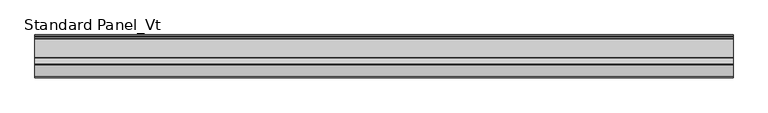
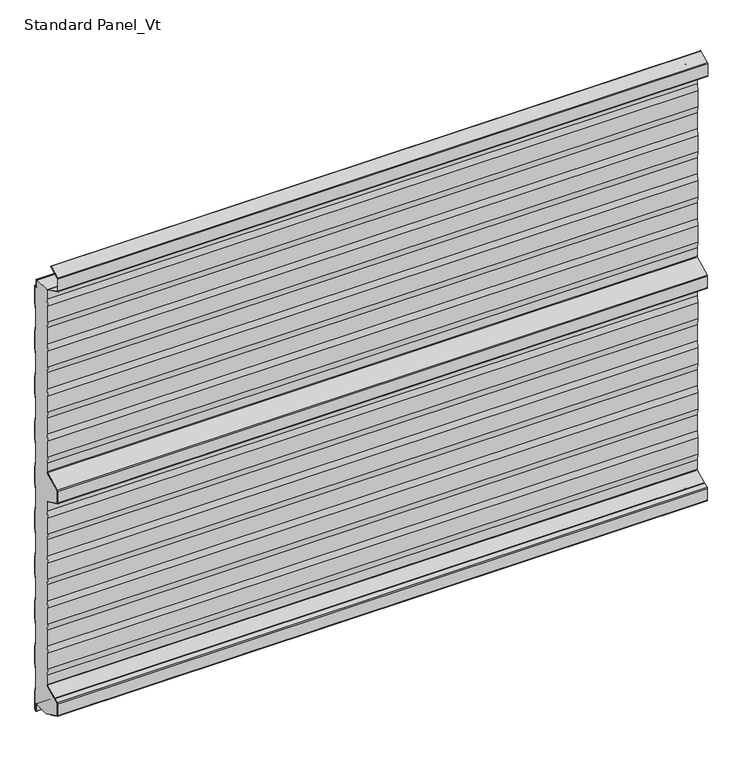
"""IFC4 building model written with IfcOpenShell, lengths in millimetres: proxy geometry, Standard Panel_Vt."""

from ifc_helpers import new_model, si_unit, point, frame, frame_2d, origin, place, context, project, spatial, polyline, circle_curve, trimmed, segment, composite_curve, outline, extrude, source, transform, mapped, element, save
from ifc_brep_helpers import plane_surface, cylinder_surface, revolved_surface, advanced_brep


def standard_panel_vt_74af1ed8(model_context):
    return source(origin(), model_context, "Body", "SolidModel", [
        advanced_brep(
        [(-723.9042608, -47.5, 35.1338169), (-723.9042608, -47.5, 57.6094989), (-723.9042608, -50.0, 72.448892), (-723.9042608, -50.0, 110.5241033), (-723.9042608, -47.5, 125.3634964), (-723.9042608, -47.5, 163.6094989), (-723.9042608, -50.0, 178.448892), (-723.9042608, -50.0, 216.5241033), (-723.9042608, -47.5, 231.3634964), (-723.9042608, -47.5, 269.6094989), (-723.9042608, -50.0, 284.448892), (-723.9042608, -50.0, 322.5241033), (-723.9042608, -47.5, 337.3634964), (-723.9042608, -47.5, 375.6094989), (-723.9042608, -50.0, 390.448892), (-723.9042608, -50.0, 428.5241033), (-723.9042608, -47.5, 443.3634964), (-723.9042608, -47.5, 463.5777279), (-723.9042608, -49.215023, 466.3511443), (-723.9042608, -86.7201502, 485.0802964), (-723.9042608, -87.55, 486.4222721), (-723.9042608, -87.55, 513.5777279), (-723.9042608, -86.7201502, 514.9197036), (-723.9042608, -49.215023, 533.6488557), (-723.9042608, -47.5, 536.4222721), (-723.9042608, -47.5, 556.6365036), (-723.9042608, -50.0, 571.4758967), (-723.9042608, -50.0, 609.551108), (-723.9042608, -47.5, 624.3905011), (-723.9042608, -47.5, 662.6365036), (-723.9042608, -50.0, 677.4758967), (-723.9042608, -50.0, 715.551108), (-723.9042608, -47.5, 730.3905011), (-723.9042608, -47.5, 768.6365036), (-723.9042608, -50.0, 783.4758967), (-723.9042608, -50.0, 821.551108), (-723.9042608, -47.5, 836.3905011), (-723.9042608, -47.5, 874.6365036), (-723.9042608, -50.0, 889.4758967), (-723.9042608, -50.0, 927.551108), (-723.9042608, -47.5, 942.3905011), (-723.9042608, -47.5, 962.6040392), (-723.9042608, -47.9622719, 964.2326554), (-723.9042608, -10.2001722, 964.2), (-723.9042608, -10.2001722, 963.3616429), (-723.9042608, -8.2001714, 963.3616429), (-723.9042608, -6.9001721, 962.0616436), (-723.9042608, -6.9001721, 946.4755735), (-723.9042608, -4.1204106, 944.9655843), (-723.9042608, -1.6, 946.6009611), (-723.9042608, -1.6, 905.4928529), (-723.9042608, -4.1, 890.4928529), (-723.9042608, -4.1, 852.3604329), (-723.9042608, -1.6, 837.3604329), (-723.9042608, -1.6, 799.4928529), (-723.9042608, -4.1, 784.4928529), (-723.9042608, -4.1, 746.3604329), (-723.9042608, -1.6, 731.3604329), (-723.9042608, -1.6, 693.4928529), (-723.9042608, -4.1, 678.4928529), (-723.9042608, -4.1, 640.3604329), (-723.9042608, -1.6, 625.3604329), (-723.9042608, -1.6, 587.4928529), (-723.9042608, -4.1, 572.4928529), (-723.9042608, -4.1, 534.3604329), (-723.9042608, -1.6, 519.3604329), (-723.9042608, -1.6, 481.9928529), (-723.9042608, -4.1, 466.9928529), (-723.9042608, -4.1, 428.8604329), (-723.9042608, -1.6, 413.8604329), (-723.9042608, -1.6, 375.4928529), (-723.9042608, -4.1, 360.4928529), (-723.9042608, -4.1, 322.3604329), (-723.9042608, -1.6, 307.3604329), (-723.9042608, -1.6, 269.4928529), (-723.9042608, -4.1, 254.4928529), (-723.9042608, -4.1, 216.3604329), (-723.9042608, -1.6, 201.3604329), (-723.9042608, -1.6, 163.4928529), (-723.9042608, -4.1, 148.4928529), (-723.9042608, -4.1, 110.3604329), (-723.9042608, -1.6, 95.3604329), (-723.9042608, -1.6, 57.4928529), (-723.9042608, -4.1, 42.4928529), (-723.9042608, -4.1, 4.3604329), (-723.9042608, -1.6, -10.6395671), (-723.9042608, -1.6, -51.4917405), (-723.9042608, -4.8001723, -53.568183), (-723.9042608, -4.8001723, -37.2383568), (-723.9042608, -7.0001721, -35.0383571), (-723.9042608, -8.930172, -35.0383571), (-723.9042608, -8.930172, -35.8383571), (-723.9042608, -45.05, -35.8), (-723.9042608, -86.7201502, -14.9197036), (-723.9042608, -87.55, -13.5777279), (-723.9042608, -87.55, 13.5777279), (-723.9042608, -86.7201502, 14.9197036), (-723.9042608, -78.2301555, 19.1594013), (-723.9042608, -76.5702853, 19.3495888), (-723.9042608, -75.8045421, 19.576942), (-723.9042608, -48.7724364, 33.0761209), (723.9042608, -47.5, 35.1338169), (723.9042608, -48.7724364, 33.0761209), (723.9042608, -75.8045421, 19.576942), (723.9042608, -76.5702853, 19.3495888), (723.9042608, -78.2301555, 19.1594013), (723.9042608, -86.7201502, 14.9197036), (723.9042608, -87.55, 13.5777279), (723.9042608, -87.55, -13.5777279), (723.9042608, -86.7201502, -14.9197036), (723.9042608, -45.05, -35.7287673), (723.9042608, -8.930172, -35.8383571), (723.9042608, -8.930172, -35.0383571), (723.9042608, -7.0001721, -35.0383571), (723.9042608, -4.8001723, -37.2383568), (723.9042608, -4.8001723, -53.568183), (723.9042608, -1.6, -51.4917405), (723.9042608, -1.6, -10.6395671), (723.9042608, -4.1, 4.3604329), (723.9042608, -4.1, 42.4928529), (723.9042608, -1.6, 57.4928529), (723.9042608, -1.6, 95.3604329), (723.9042608, -4.1, 110.3604329), (723.9042608, -4.1, 148.4928529), (723.9042608, -1.6, 163.4928529), (723.9042608, -1.6, 201.3604329), (723.9042608, -4.1, 216.3604329), (723.9042608, -4.1, 254.4928529), (723.9042608, -1.6, 269.4928529), (723.9042608, -1.6, 307.3604329), (723.9042608, -4.1, 322.3604329), (723.9042608, -4.1, 360.4928529), (723.9042608, -1.6, 375.4928529), (723.9042608, -1.6, 413.8604329), (723.9042608, -4.1, 428.8604329), (723.9042608, -4.1, 466.9928529), (723.9042608, -1.6, 481.9928529), (723.9042608, -1.6, 519.3604329), (723.9042608, -4.1, 534.3604329), (723.9042608, -4.1, 572.4928529), (723.9042608, -1.6, 587.4928529), (723.9042608, -1.6, 625.3604329), (723.9042608, -4.1, 640.3604329), (723.9042608, -4.1, 678.4928529), (723.9042608, -1.6, 693.4928529), (723.9042608, -1.6, 731.3604329), (723.9042608, -4.1, 746.3604329), (723.9042608, -4.1, 784.4928529), (723.9042608, -1.6, 799.4928529), (723.9042608, -1.6, 837.3604329), (723.9042608, -4.1, 852.3604329), (723.9042608, -4.1, 890.4928529), (723.9042608, -1.6, 905.4928529), (723.9042608, -1.6, 946.6009611), (723.9042608, -4.1204106, 944.9655843), (723.9042608, -6.9001721, 946.4755735), (723.9042608, -6.9001721, 962.0616436), (723.9042608, -8.2001714, 963.3616429), (723.9042608, -10.2001722, 963.3616429), (723.9042608, -10.2001722, 964.2), (723.9042608, -47.9622719, 964.2326554), (723.9042608, -47.5, 962.6040392), (723.9042608, -47.5, 942.3905011), (723.9042608, -50.0, 927.551108), (723.9042608, -50.0, 889.4758967), (723.9042608, -47.5, 874.6365036), (723.9042608, -47.5, 836.3905011), (723.9042608, -50.0, 821.551108), (723.9042608, -50.0, 783.4758967), (723.9042608, -47.5, 768.6365036), (723.9042608, -47.5, 730.3905011), (723.9042608, -50.0, 715.551108), (723.9042608, -50.0, 677.4758967), (723.9042608, -47.5, 662.6365036), (723.9042608, -47.5, 624.3905011), (723.9042608, -50.0, 609.551108), (723.9042608, -50.0, 571.4758967), (723.9042608, -47.5, 556.6365036), (723.9042608, -47.5, 536.4222721), (723.9042608, -49.215023, 533.6488557), (723.9042608, -86.7201502, 514.9197036), (723.9042608, -87.55, 513.5777279), (723.9042608, -87.55, 486.4222721), (723.9042608, -86.7201502, 485.0802964), (723.9042608, -49.215023, 466.3511443), (723.9042608, -47.5, 463.5777279), (723.9042608, -47.5, 443.3634964), (723.9042608, -50.0, 428.5241033), (723.9042608, -50.0, 390.448892), (723.9042608, -47.5, 375.6094989), (723.9042608, -47.5, 337.3634964), (723.9042608, -50.0, 322.5241033), (723.9042608, -50.0, 284.448892), (723.9042608, -47.5, 269.6094989), (723.9042608, -47.5, 231.3634964), (723.9042608, -50.0, 216.5241033), (723.9042608, -50.0, 178.448892), (723.9042608, -47.5, 163.6094989), (723.9042608, -47.5, 125.3634964), (723.9042608, -50.0, 110.5241033), (723.9042608, -50.0, 72.448892), (723.9042608, -47.5, 57.6094989)],
        [
            (0, 1),
            (1, 2),
            (2, 3),
            (3, 4),
            (4, 5),
            (5, 6),
            (6, 7),
            (7, 8),
            (8, 9),
            (9, 10),
            (10, 11),
            (11, 12),
            (12, 13),
            (13, 14),
            (14, 15),
            (15, 16),
            (16, 17),
            (17, 18, circle_curve(frame((-723.9042608, -50.6, 463.5777279), z_axis=(1.0, 0.0, 0.0), x_axis=(0.0, 0.0, -1.0)), 3.1)),
            (18, 19),
            (19, 20, circle_curve(frame((-723.9042608, -86.05, 486.4222721), z_axis=(-1.0, 0.0, 0.0), x_axis=(0.0, 0.0, -1.0)), 1.5)),
            (20, 21),
            (21, 22, circle_curve(frame((-723.9042608, -86.05, 513.5777279), z_axis=(-1.0, 0.0, 0.0), x_axis=(0.0, 0.0, -1.0)), 1.5)),
            (22, 23),
            (23, 24, circle_curve(frame((-723.9042608, -50.6, 536.4222721), z_axis=(1.0, 0.0, 0.0), x_axis=(0.0, 0.0, -1.0)), 3.1)),
            (24, 25),
            (25, 26),
            (26, 27),
            (27, 28),
            (28, 29),
            (29, 30),
            (30, 31),
            (31, 32),
            (32, 33),
            (33, 34),
            (34, 35),
            (35, 36),
            (36, 37),
            (37, 38),
            (38, 39),
            (39, 40),
            (40, 41),
            (41, 42, circle_curve(frame((-723.9042608, -50.6, 962.6040392), z_axis=(1.0, 0.0, 0.0), x_axis=(0.0, 0.0, -1.0)), 3.1)),
            (42, 43),
            (43, 44),
            (44, 45),
            (45, 46, circle_curve(frame((-723.9042608, -8.2001714, 962.0616436), z_axis=(-1.0, 0.0, 0.0), x_axis=(0.0, 0.0, -1.0)), 1.2999993)),
            (46, 47),
            (47, 48, circle_curve(frame((-723.9042608, -5.1001721, 946.4755735), z_axis=(1.0, 0.0, 0.0), x_axis=(0.0, 0.0, -1.0)), 1.8)),
            (48, 49),
            (49, 50),
            (50, 51),
            (51, 52),
            (52, 53),
            (53, 54),
            (54, 55),
            (55, 56),
            (56, 57),
            (57, 58),
            (58, 59),
            (59, 60),
            (60, 61),
            (61, 62),
            (62, 63),
            (63, 64),
            (64, 65),
            (65, 66),
            (66, 67),
            (67, 68),
            (68, 69),
            (69, 70),
            (70, 71),
            (71, 72),
            (72, 73),
            (73, 74),
            (74, 75),
            (75, 76),
            (76, 77),
            (77, 78),
            (78, 79),
            (79, 80),
            (80, 81),
            (81, 82),
            (82, 83),
            (83, 84),
            (84, 85),
            (85, 86),
            (86, 87),
            (87, 88),
            (88, 89, circle_curve(frame((-723.9042608, -7.0001721, -37.2383568), z_axis=(1.0, 0.0, 0.0), x_axis=(0.0, 0.0, -1.0)), 2.1999997)),
            (89, 90),
            (90, 91),
            (91, 92),
            (92, 93),
            (93, 94, circle_curve(frame((-723.9042608, -86.05, -13.5777279), z_axis=(-1.0, 0.0, 0.0), x_axis=(0.0, 0.0, -1.0)), 1.5)),
            (94, 95),
            (95, 96, circle_curve(frame((-723.9042608, -86.05, 13.5777279), z_axis=(-1.0, 0.0, 0.0), x_axis=(0.0, 0.0, -1.0)), 1.5)),
            (96, 97),
            (97, 98),
            (98, 99, circle_curve(frame((-723.9042608, -76.8321057, 21.6346381), z_axis=(1.0, 0.0, 0.0), x_axis=(0.0, 0.0, -1.0)), 2.3)),
            (99, 100),
            (100, 0, circle_curve(frame((-723.9042608, -49.8, 35.1338169), z_axis=(1.0, 0.0, 0.0), x_axis=(0.0, 0.0, -1.0)), 2.3)),
            (101, 102, circle_curve(frame((723.9042608, -49.8, 35.1338169), z_axis=(-1.0, 0.0, 0.0), x_axis=(0.0, 0.0, -1.0)), 2.3)),
            (102, 103),
            (103, 104, circle_curve(frame((723.9042608, -76.8321057, 21.6346381), z_axis=(-1.0, 0.0, 0.0), x_axis=(0.0, 0.0, -1.0)), 2.3)),
            (104, 105),
            (105, 106),
            (106, 107, circle_curve(frame((723.9042608, -86.05, 13.5777279), z_axis=(1.0, 0.0, 0.0), x_axis=(0.0, 0.0, -1.0)), 1.5)),
            (107, 108),
            (108, 109, circle_curve(frame((723.9042608, -86.05, -13.5777279), z_axis=(1.0, 0.0, 0.0), x_axis=(0.0, 0.0, -1.0)), 1.5)),
            (109, 110),
            (110, 111),
            (111, 112),
            (112, 113),
            (113, 114, circle_curve(frame((723.9042608, -7.0001721, -37.2383568), z_axis=(-1.0, 0.0, 0.0), x_axis=(0.0, 0.0, -1.0)), 2.1999997)),
            (114, 115),
            (115, 116),
            (116, 117),
            (117, 118),
            (118, 119),
            (119, 120),
            (120, 121),
            (121, 122),
            (122, 123),
            (123, 124),
            (124, 125),
            (125, 126),
            (126, 127),
            (127, 128),
            (128, 129),
            (129, 130),
            (130, 131),
            (131, 132),
            (132, 133),
            (133, 134),
            (134, 135),
            (135, 136),
            (136, 137),
            (137, 138),
            (138, 139),
            (139, 140),
            (140, 141),
            (141, 142),
            (142, 143),
            (143, 144),
            (144, 145),
            (145, 146),
            (146, 147),
            (147, 148),
            (148, 149),
            (149, 150),
            (150, 151),
            (151, 152),
            (152, 153),
            (153, 154),
            (154, 155, circle_curve(frame((723.9042608, -5.1001721, 946.4755735), z_axis=(-1.0, 0.0, 0.0), x_axis=(0.0, 0.0, -1.0)), 1.8)),
            (155, 156),
            (156, 157, circle_curve(frame((723.9042608, -8.2001714, 962.0616436), z_axis=(1.0, 0.0, 0.0), x_axis=(0.0, 0.0, -1.0)), 1.2999993)),
            (157, 158),
            (158, 159),
            (159, 160),
            (160, 161, circle_curve(frame((723.9042608, -50.6, 962.6040392), z_axis=(-1.0, 0.0, 0.0), x_axis=(0.0, 0.0, -1.0)), 3.1)),
            (161, 162),
            (162, 163),
            (163, 164),
            (164, 165),
            (165, 166),
            (166, 167),
            (167, 168),
            (168, 169),
            (169, 170),
            (170, 171),
            (171, 172),
            (172, 173),
            (173, 174),
            (174, 175),
            (175, 176),
            (176, 177),
            (177, 178),
            (178, 179, circle_curve(frame((723.9042608, -50.6, 536.4222721), z_axis=(-1.0, 0.0, 0.0), x_axis=(0.0, 0.0, -1.0)), 3.1)),
            (179, 180),
            (180, 181, circle_curve(frame((723.9042608, -86.05, 513.5777279), z_axis=(1.0, 0.0, 0.0), x_axis=(0.0, 0.0, -1.0)), 1.5)),
            (181, 182),
            (182, 183, circle_curve(frame((723.9042608, -86.05, 486.4222721), z_axis=(1.0, 0.0, 0.0), x_axis=(0.0, 0.0, -1.0)), 1.5)),
            (183, 184),
            (184, 185, circle_curve(frame((723.9042608, -50.6, 463.5777279), z_axis=(-1.0, 0.0, 0.0), x_axis=(0.0, 0.0, -1.0)), 3.1)),
            (185, 186),
            (186, 187),
            (187, 188),
            (188, 189),
            (189, 190),
            (190, 191),
            (191, 192),
            (192, 193),
            (193, 194),
            (194, 195),
            (195, 196),
            (196, 197),
            (197, 198),
            (198, 199),
            (199, 200),
            (200, 201),
            (201, 101),
            (100, 102),
            (101, 0),
            (99, 103),
            (98, 104),
            (97, 105),
            (96, 106),
            (95, 107),
            (94, 108),
            (93, 109),
            (92, 110),
            (159, 43),
            (42, 160),
            (41, 161),
            (40, 162),
            (39, 163),
            (38, 164),
            (37, 165),
            (36, 166),
            (35, 167),
            (34, 168),
            (33, 169),
            (32, 170),
            (31, 171),
            (30, 172),
            (29, 173),
            (28, 174),
            (27, 175),
            (26, 176),
            (25, 177),
            (24, 178),
            (23, 179),
            (22, 180),
            (21, 181),
            (20, 182),
            (19, 183),
            (18, 184),
            (17, 185),
            (16, 186),
            (15, 187),
            (14, 188),
            (13, 189),
            (12, 190),
            (11, 191),
            (10, 192),
            (9, 193),
            (8, 194),
            (7, 195),
            (6, 196),
            (5, 197),
            (4, 198),
            (3, 199),
            (2, 200),
            (1, 201),
            (158, 44),
            (88, 114),
            (113, 89),
            (87, 115),
            (86, 116),
            (85, 117),
            (84, 118),
            (83, 119),
            (82, 120),
            (81, 121),
            (80, 122),
            (79, 123),
            (78, 124),
            (77, 125),
            (76, 126),
            (75, 127),
            (74, 128),
            (73, 129),
            (72, 130),
            (71, 131),
            (70, 132),
            (69, 133),
            (68, 134),
            (67, 135),
            (66, 136),
            (65, 137),
            (64, 138),
            (63, 139),
            (62, 140),
            (61, 141),
            (60, 142),
            (59, 143),
            (58, 144),
            (57, 145),
            (56, 146),
            (55, 147),
            (54, 148),
            (53, 149),
            (52, 150),
            (51, 151),
            (50, 152),
            (49, 153),
            (48, 154),
            (47, 155),
            (46, 156),
            (45, 157),
            (90, 112),
            (111, 91),
        ],
        [
            plane_surface(frame((-723.9042608, -50.0, 500.0), z_axis=(-1.0, 0.0, 0.0), x_axis=(0.0, 1.0, 0.0))),
            plane_surface(frame((723.9042608, -50.0, 500.0), z_axis=(1.0, 0.0, 0.0), x_axis=(0.0, 1.0, 0.0))),
            revolved_surface(polyline([(723.9042608, -49.8, 32.8338169), (-723.9042608, -49.8, 32.8338169)]), (-723.9042608, -49.8, 35.1338169), (1.0, 0.0, 0.0)),
            plane_surface(frame((-723.9042608, -48.7724364, 33.0761209), z_axis=(0.0, -0.4467667729379058, 0.89465046280581), x_axis=(1.0, 0.0, 0.0))),
            revolved_surface(polyline([(723.9042608, -76.8321057, 19.3346381), (-723.9042608, -76.8321057, 19.3346381)]), (-723.9042608, -76.8321057, 21.6346381), (1.0, 0.0, 0.0)),
            plane_surface(frame((-723.9042608, -76.5702853, 19.3495888), z_axis=(0.0, -0.11383496024224143, 0.9934996737929246), x_axis=(1.0, 0.0, 0.0))),
            plane_surface(frame((-723.9042608, -78.2301555, 19.1594013), z_axis=(0.0, -0.44676677293837763, 0.8946504628055743), x_axis=(1.0, 0.0, 0.0))),
            cylinder_surface(frame((-723.9042608, -86.05, 13.5777279), z_axis=(-1.0, 0.0, 0.0), x_axis=(0.0, 0.0, -1.0)), 1.5),
            plane_surface(frame((-723.9042608, -87.55, 13.5777279), z_axis=(0.0, -1.0, 0.0), x_axis=(1.0, 0.0, 0.0))),
            cylinder_surface(frame((-723.9042608, -86.05, -13.5777279), z_axis=(-1.0, 0.0, 0.0), x_axis=(0.0, 0.0, -1.0)), 1.5),
            plane_surface(frame((-723.9042608, -86.7201502, -14.9197036), z_axis=(0.0, -0.4467667729366023, -0.8946504628064608), x_axis=(1.0, 0.0, 0.0))),
            plane_surface(frame((-723.9042608, -45.05, 964.2326554), z_axis=(0.0, 0.0, 1.0), x_axis=(1.0, 0.0, 0.0))),
            revolved_surface(polyline([(723.9042608, -50.6, 959.5040392), (-723.9042608, -50.6, 959.5040392)]), (-723.9042608, -50.6, 962.6040392), (1.0, 0.0, 0.0)),
            plane_surface(frame((-723.9042608, -47.5, 962.6040392), z_axis=(0.0, -1.0, 0.0), x_axis=(1.0, 0.0, 0.0))),
            plane_surface(frame((-723.9042608, -47.5, 942.3905011), z_axis=(0.0, -0.9861039564577478, 0.16612942863435207), x_axis=(1.0, 0.0, 0.0))),
            plane_surface(frame((-723.9042608, -50.0, 927.551108), z_axis=(0.0, -1.0, 0.0), x_axis=(1.0, 0.0, 0.0))),
            plane_surface(frame((-723.9042608, -50.0, 889.4758967), z_axis=(0.0, -0.986103956457715, -0.16612942863454708), x_axis=(1.0, 0.0, 0.0))),
            plane_surface(frame((-723.9042608, -47.5, 874.6365036), z_axis=(0.0, -1.0, 0.0), x_axis=(1.0, 0.0, 0.0))),
            plane_surface(frame((-723.9042608, -47.5, 836.3905011), z_axis=(0.0, -0.9861039564577201, 0.1661294286345171), x_axis=(1.0, 0.0, 0.0))),
            plane_surface(frame((-723.9042608, -50.0, 821.551108), z_axis=(0.0, -1.0, 0.0), x_axis=(1.0, 0.0, 0.0))),
            plane_surface(frame((-723.9042608, -50.0, 783.4758967), z_axis=(0.0, -0.986103956457715, -0.16612942863454708), x_axis=(1.0, 0.0, 0.0))),
            plane_surface(frame((-723.9042608, -47.5, 768.6365036), z_axis=(0.0, -1.0, 0.0), x_axis=(1.0, 0.0, 0.0))),
            plane_surface(frame((-723.9042608, -47.5, 730.3905011), z_axis=(0.0, -0.9861039564577478, 0.16612942863435207), x_axis=(1.0, 0.0, 0.0))),
            plane_surface(frame((-723.9042608, -50.0, 715.551108), z_axis=(0.0, -1.0, 0.0), x_axis=(1.0, 0.0, 0.0))),
            plane_surface(frame((-723.9042608, -50.0, 677.4758967), z_axis=(0.0, -0.9861039564576832, -0.16612942863473568), x_axis=(1.0, 0.0, 0.0))),
            plane_surface(frame((-723.9042608, -47.5, 662.6365036), z_axis=(0.0, -1.0, 0.0), x_axis=(1.0, 0.0, 0.0))),
            plane_surface(frame((-723.9042608, -47.5, 624.3905011), z_axis=(0.0, -0.9861039564577201, 0.1661294286345171), x_axis=(1.0, 0.0, 0.0))),
            plane_surface(frame((-723.9042608, -50.0, 609.551108), z_axis=(0.0, -1.0, 0.0), x_axis=(1.0, 0.0, 0.0))),
            plane_surface(frame((-723.9042608, -50.0, 571.4758967), z_axis=(0.0, -0.9861039564577467, -0.16612942863435845), x_axis=(1.0, 0.0, 0.0))),
            plane_surface(frame((-723.9042608, -47.5, 556.6365036), z_axis=(0.0, -1.0, 0.0), x_axis=(1.0, 0.0, 0.0))),
            revolved_surface(polyline([(723.9042608, -50.6, 533.3222721), (-723.9042608, -50.6, 533.3222721)]), (-723.9042608, -50.6, 536.4222721), (1.0, 0.0, 0.0)),
            plane_surface(frame((-723.9042608, -49.215023, 533.6488557), z_axis=(0.0, -0.4467667729373698, 0.8946504628060775), x_axis=(1.0, 0.0, 0.0))),
            cylinder_surface(frame((-723.9042608, -86.05, 513.5777279), z_axis=(-1.0, 0.0, 0.0), x_axis=(0.0, 0.0, -1.0)), 1.5),
            plane_surface(frame((-723.9042608, -87.55, 513.5777279), z_axis=(0.0, -1.0, 0.0), x_axis=(1.0, 0.0, 0.0))),
            cylinder_surface(frame((-723.9042608, -86.05, 486.4222721), z_axis=(-1.0, 0.0, 0.0), x_axis=(0.0, 0.0, -1.0)), 1.5),
            plane_surface(frame((-723.9042608, -86.7201502, 485.0802964), z_axis=(0.0, -0.4467667729375501, -0.8946504628059875), x_axis=(1.0, 0.0, 0.0))),
            revolved_surface(polyline([(723.9042608, -50.6, 460.4777279), (-723.9042608, -50.6, 460.4777279)]), (-723.9042608, -50.6, 463.5777279), (1.0, 0.0, 0.0)),
            plane_surface(frame((-723.9042608, -47.5, 463.5777279), z_axis=(0.0, -1.0, 0.0), x_axis=(1.0, 0.0, 0.0))),
            plane_surface(frame((-723.9042608, -47.5, 443.3634964), z_axis=(0.0, -0.9861039564577047, 0.16612942863460836), x_axis=(1.0, 0.0, 0.0))),
            plane_surface(frame((-723.9042608, -50.0, 428.5241033), z_axis=(0.0, -1.0, 0.0), x_axis=(1.0, 0.0, 0.0))),
            plane_surface(frame((-723.9042608, -50.0, 390.448892), z_axis=(0.0, -0.9861039564576678, -0.16612942863482694), x_axis=(1.0, 0.0, 0.0))),
            plane_surface(frame((-723.9042608, -47.5, 375.6094989), z_axis=(0.0, -1.0, 0.0), x_axis=(1.0, 0.0, 0.0))),
            plane_surface(frame((-723.9042608, -47.5, 337.3634964), z_axis=(0.0, -0.9861039564577121, 0.16612942863456426), x_axis=(1.0, 0.0, 0.0))),
            plane_surface(frame((-723.9042608, -50.0, 322.5241033), z_axis=(0.0, -1.0, 0.0), x_axis=(1.0, 0.0, 0.0))),
            plane_surface(frame((-723.9042608, -50.0, 284.448892), z_axis=(0.0, -0.9861039564577467, -0.16612942863435845), x_axis=(1.0, 0.0, 0.0))),
            plane_surface(frame((-723.9042608, -47.5, 269.6094989), z_axis=(0.0, -1.0, 0.0), x_axis=(1.0, 0.0, 0.0))),
            plane_surface(frame((-723.9042608, -47.5, 231.3634964), z_axis=(0.0, -0.9861039564577161, 0.1661294286345407), x_axis=(1.0, 0.0, 0.0))),
            plane_surface(frame((-723.9042608, -50.0, 216.5241033), z_axis=(0.0, -1.0, 0.0), x_axis=(1.0, 0.0, 0.0))),
            plane_surface(frame((-723.9042608, -50.0, 178.448892), z_axis=(0.0, -0.986103956457715, -0.16612942863454708), x_axis=(1.0, 0.0, 0.0))),
            plane_surface(frame((-723.9042608, -47.5, 163.6094989), z_axis=(0.0, -1.0, 0.0), x_axis=(1.0, 0.0, 0.0))),
            plane_surface(frame((-723.9042608, -47.5, 125.3634964), z_axis=(0.0, -0.9861039564577161, 0.1661294286345407), x_axis=(1.0, 0.0, 0.0))),
            plane_surface(frame((-723.9042608, -50.0, 110.5241033), z_axis=(0.0, -1.0, 0.0), x_axis=(1.0, 0.0, 0.0))),
            plane_surface(frame((-723.9042608, -50.0, 72.448892), z_axis=(0.0, -0.9861039564576832, -0.16612942863473568), x_axis=(1.0, 0.0, 0.0))),
            plane_surface(frame((-723.9042608, -47.5, 57.6094989), z_axis=(0.0, -1.0, 0.0), x_axis=(1.0, 0.0, 0.0))),
            plane_surface(frame((723.9042608, -10.2001722, 964.2), z_axis=(0.0, 1.0, 0.0), x_axis=(-1.0, 0.0, 0.0))),
            revolved_surface(polyline([(723.9042608, -7.0001721, -39.4383565), (-723.9042608, -7.0001721, -39.4383565)]), (-723.9042608, -7.0001721, -37.2383568), (1.0, 0.0, 0.0)),
            plane_surface(frame((-723.9042608, -4.8001723, -37.2383568), z_axis=(0.0, -1.0, 0.0), x_axis=(1.0, 0.0, 0.0))),
            plane_surface(frame((-723.9042608, -4.8001723, -53.568183), z_axis=(0.0, 0.5443119480328179, -0.8388828900560071), x_axis=(1.0, 0.0, 0.0))),
            plane_surface(frame((-723.9042608, -1.6, -51.4917405), z_axis=(0.0, 1.0, 0.0), x_axis=(1.0, 0.0, 0.0))),
            plane_surface(frame((-723.9042608, -1.6, -10.6395671), z_axis=(0.0, 0.9863939238321534, 0.16439898730529956), x_axis=(1.0, 0.0, 0.0))),
            plane_surface(frame((-723.9042608, -4.1, 4.3604329), z_axis=(0.0, 1.0, 0.0), x_axis=(1.0, 0.0, 0.0))),
            plane_surface(frame((-723.9042608, -4.1, 42.4928529), z_axis=(0.0, 0.9863939238321456, -0.1643989873053465), x_axis=(1.0, 0.0, 0.0))),
            plane_surface(frame((-723.9042608, -1.6, 57.4928529), z_axis=(0.0, 1.0, 0.0), x_axis=(1.0, 0.0, 0.0))),
            plane_surface(frame((-723.9042608, -1.6, 95.3604329), z_axis=(0.0, 0.9863939238321452, 0.16439898730534863), x_axis=(1.0, 0.0, 0.0))),
            plane_surface(frame((-723.9042608, -4.1, 110.3604329), z_axis=(0.0, 1.0, 0.0), x_axis=(1.0, 0.0, 0.0))),
            plane_surface(frame((-723.9042608, -4.1, 148.4928529), z_axis=(0.0, 0.9863939238321413, -0.16439898730537209), x_axis=(1.0, 0.0, 0.0))),
            plane_surface(frame((-723.9042608, -1.6, 163.4928529), z_axis=(0.0, 1.0, 0.0), x_axis=(1.0, 0.0, 0.0))),
            plane_surface(frame((-723.9042608, -1.6, 201.3604329), z_axis=(0.0, 0.9863939238321713, 0.164398987305192), x_axis=(1.0, 0.0, 0.0))),
            plane_surface(frame((-723.9042608, -4.1, 216.3604329), z_axis=(0.0, 1.0, 0.0), x_axis=(1.0, 0.0, 0.0))),
            plane_surface(frame((-723.9042608, -4.1, 254.4928529), z_axis=(0.0, 0.9863939238321595, -0.16439898730526276), x_axis=(1.0, 0.0, 0.0))),
            plane_surface(frame((-723.9042608, -1.6, 269.4928529), z_axis=(0.0, 1.0, 0.0), x_axis=(1.0, 0.0, 0.0))),
            plane_surface(frame((-723.9042608, -1.6, 307.3604329), z_axis=(0.0, 0.9863939238321285, 0.16439898730544858), x_axis=(1.0, 0.0, 0.0))),
            plane_surface(frame((-723.9042608, -4.1, 322.3604329), z_axis=(0.0, 1.0, 0.0), x_axis=(1.0, 0.0, 0.0))),
            plane_surface(frame((-723.9042608, -4.1, 360.4928529), z_axis=(0.0, 0.986393923832452, -0.16439898730350827), x_axis=(1.0, 0.0, 0.0))),
            plane_surface(frame((-723.9042608, -1.6, 375.4928529), z_axis=(0.0, 1.0, 0.0), x_axis=(1.0, 0.0, 0.0))),
            plane_surface(frame((-723.9042608, -1.6, 413.8604329), z_axis=(0.0, 0.986393923832151, 0.16439898730531435), x_axis=(1.0, 0.0, 0.0))),
            plane_surface(frame((-723.9042608, -4.1, 428.8604329), z_axis=(0.0, 1.0, 0.0), x_axis=(1.0, 0.0, 0.0))),
            plane_surface(frame((-723.9042608, -4.1, 466.9928529), z_axis=(0.0, 0.9863939238329182, -0.1643989873007107), x_axis=(1.0, 0.0, 0.0))),
            plane_surface(frame((-723.9042608, -1.6, 481.9928529), z_axis=(0.0, 1.0, 0.0), x_axis=(1.0, 0.0, 0.0))),
            plane_surface(frame((-723.9042608, -1.6, 519.3604329), z_axis=(0.0, 0.986393923832576, 0.1643989873027638), x_axis=(1.0, 0.0, 0.0))),
            plane_surface(frame((-723.9042608, -4.1, 534.3604329), z_axis=(0.0, 1.0, 0.0), x_axis=(1.0, 0.0, 0.0))),
            plane_surface(frame((-723.9042608, -4.1, 572.4928529), z_axis=(0.0, 0.9863939238321462, -0.1643989873053435), x_axis=(1.0, 0.0, 0.0))),
            plane_surface(frame((-723.9042608, -1.6, 587.4928529), z_axis=(0.0, 1.0, 0.0), x_axis=(1.0, 0.0, 0.0))),
            plane_surface(frame((-723.9042608, -1.6, 625.3604329), z_axis=(0.0, 0.9863939238321415, 0.16439898730537109), x_axis=(1.0, 0.0, 0.0))),
            plane_surface(frame((-723.9042608, -4.1, 640.3604329), z_axis=(0.0, 1.0, 0.0), x_axis=(1.0, 0.0, 0.0))),
            plane_surface(frame((-723.9042608, -4.1, 678.4928529), z_axis=(0.0, 0.9863939238321462, -0.1643989873053435), x_axis=(1.0, 0.0, 0.0))),
            plane_surface(frame((-723.9042608, -1.6, 693.4928529), z_axis=(0.0, 1.0, 0.0), x_axis=(1.0, 0.0, 0.0))),
            plane_surface(frame((-723.9042608, -1.6, 731.3604329), z_axis=(0.0, 0.9863939238321723, 0.16439898730518634), x_axis=(1.0, 0.0, 0.0))),
            plane_surface(frame((-723.9042608, -4.1, 746.3604329), z_axis=(0.0, 1.0, 0.0), x_axis=(1.0, 0.0, 0.0))),
            plane_surface(frame((-723.9042608, -4.1, 784.4928529), z_axis=(0.0, 0.9863939238321462, -0.1643989873053435), x_axis=(1.0, 0.0, 0.0))),
            plane_surface(frame((-723.9042608, -1.6, 799.4928529), z_axis=(0.0, 1.0, 0.0), x_axis=(1.0, 0.0, 0.0))),
            plane_surface(frame((-723.9042608, -1.6, 837.3604329), z_axis=(0.0, 0.9863939238321415, 0.16439898730537109), x_axis=(1.0, 0.0, 0.0))),
            plane_surface(frame((-723.9042608, -4.1, 852.3604329), z_axis=(0.0, 1.0, 0.0), x_axis=(1.0, 0.0, 0.0))),
            plane_surface(frame((-723.9042608, -4.1, 890.4928529), z_axis=(0.0, 0.9863939238321769, -0.16439898730515876), x_axis=(1.0, 0.0, 0.0))),
            plane_surface(frame((-723.9042608, -1.6, 905.4928529), z_axis=(0.0, 1.0, 0.0), x_axis=(1.0, 0.0, 0.0))),
            plane_surface(frame((-723.9042608, -1.6, 946.6009611), z_axis=(0.0, -0.5443119480359504, 0.8388828900539747), x_axis=(1.0, 0.0, 0.0))),
            revolved_surface(polyline([(723.9042608, -5.1001721, 944.6755735), (-723.9042608, -5.1001721, 944.6755735)]), (-723.9042608, -5.1001721, 946.4755735), (1.0, 0.0, 0.0)),
            plane_surface(frame((-723.9042608, -6.9001721, 946.4755735), z_axis=(0.0, 1.0, 0.0), x_axis=(1.0, 0.0, 0.0))),
            cylinder_surface(frame((-723.9042608, -8.2001714, 962.0616436), z_axis=(-1.0, 0.0, 0.0), x_axis=(0.0, 0.0, -1.0)), 1.2999993),
            plane_surface(frame((-723.9042608, -8.2001714, 963.3616429), z_axis=(0.0, 0.0, 1.0), x_axis=(1.0, 0.0, 0.0))),
            plane_surface(frame((-723.9042608, -8.930172, -35.8383571), z_axis=(0.0, 1.0, 0.0), x_axis=(1.0, 0.0, 0.0))),
            plane_surface(frame((-723.9042608, -8.930172, -35.0383571), z_axis=(0.0, 0.0, -1.0), x_axis=(1.0, 0.0, 0.0))),
            plane_surface(frame((723.9042608, -10.2001722, -35.8), z_axis=(0.0, 0.0, -1.0), x_axis=(-1.0, 0.0, 0.0))),
        ],
        [
            (0, [[1, 2, 3, 4, 5, 6, 7, 8, 9, 10, 11, 12, 13, 14, 15, 16, 17, 18, 19, 20, 21, 22, 23, 24, 25, 26, 27, 28, 29, 30, 31, 32, 33, 34, 35, 36, 37, 38, 39, 40, 41, 42, 43, 44, 45, 46, 47, 48, 49, 50, 51, 52, 53, 54, 55, 56, 57, 58, 59, 60, 61, 62, 63, 64, 65, 66, 67, 68, 69, 70, 71, 72, 73, 74, 75, 76, 77, 78, 79, 80, 81, 82, 83, 84, 85, 86, 87, 88, 89, 90, 91, 92, 93, 94, 95, 96, 97, 98, 99, 100, 101]]),
            (1, [[102, 103, 104, 105, 106, 107, 108, 109, 110, 111, 112, 113, 114, 115, 116, 117, 118, 119, 120, 121, 122, 123, 124, 125, 126, 127, 128, 129, 130, 131, 132, 133, 134, 135, 136, 137, 138, 139, 140, 141, 142, 143, 144, 145, 146, 147, 148, 149, 150, 151, 152, 153, 154, 155, 156, 157, 158, 159, 160, 161, 162, 163, 164, 165, 166, 167, 168, 169, 170, 171, 172, 173, 174, 175, 176, 177, 178, 179, 180, 181, 182, 183, 184, 185, 186, 187, 188, 189, 190, 191, 192, 193, 194, 195, 196, 197, 198, 199, 200, 201, 202]]),
            (2, [[203, -102, 204, -101]]),
            (3, [[205, -103, -203, -100]]),
            (4, [[206, -104, -205, -99]]),
            (5, [[207, -105, -206, -98]]),
            (6, [[208, -106, -207, -97]]),
            (7, [[209, -107, -208, -96]]),
            (8, [[210, -108, -209, -95]]),
            (9, [[211, -109, -210, -94]]),
            (10, [[212, -110, -211, -93]]),
            (11, [[-160, 213, -43, 214]]),
            (12, [[215, -161, -214, -42]]),
            (13, [[216, -162, -215, -41]]),
            (14, [[217, -163, -216, -40]]),
            (15, [[218, -164, -217, -39]]),
            (16, [[219, -165, -218, -38]]),
            (17, [[220, -166, -219, -37]]),
            (18, [[221, -167, -220, -36]]),
            (19, [[222, -168, -221, -35]]),
            (20, [[223, -169, -222, -34]]),
            (21, [[224, -170, -223, -33]]),
            (22, [[225, -171, -224, -32]]),
            (23, [[226, -172, -225, -31]]),
            (24, [[227, -173, -226, -30]]),
            (25, [[228, -174, -227, -29]]),
            (26, [[229, -175, -228, -28]]),
            (27, [[230, -176, -229, -27]]),
            (28, [[231, -177, -230, -26]]),
            (29, [[232, -178, -231, -25]]),
            (30, [[233, -179, -232, -24]]),
            (31, [[234, -180, -233, -23]]),
            (32, [[235, -181, -234, -22]]),
            (33, [[236, -182, -235, -21]]),
            (34, [[237, -183, -236, -20]]),
            (35, [[238, -184, -237, -19]]),
            (36, [[239, -185, -238, -18]]),
            (37, [[240, -186, -239, -17]]),
            (38, [[241, -187, -240, -16]]),
            (39, [[242, -188, -241, -15]]),
            (40, [[243, -189, -242, -14]]),
            (41, [[244, -190, -243, -13]]),
            (42, [[245, -191, -244, -12]]),
            (43, [[246, -192, -245, -11]]),
            (44, [[247, -193, -246, -10]]),
            (45, [[248, -194, -247, -9]]),
            (46, [[249, -195, -248, -8]]),
            (47, [[250, -196, -249, -7]]),
            (48, [[251, -197, -250, -6]]),
            (49, [[252, -198, -251, -5]]),
            (50, [[253, -199, -252, -4]]),
            (51, [[254, -200, -253, -3]]),
            (52, [[255, -201, -254, -2]]),
            (53, [[-204, -202, -255, -1]]),
            (54, [[-159, 256, -44, -213]]),
            (55, [[257, -114, 258, -89]]),
            (56, [[259, -115, -257, -88]]),
            (57, [[260, -116, -259, -87]]),
            (58, [[261, -117, -260, -86]]),
            (59, [[262, -118, -261, -85]]),
            (60, [[263, -119, -262, -84]]),
            (61, [[264, -120, -263, -83]]),
            (62, [[265, -121, -264, -82]]),
            (63, [[266, -122, -265, -81]]),
            (64, [[267, -123, -266, -80]]),
            (65, [[268, -124, -267, -79]]),
            (66, [[269, -125, -268, -78]]),
            (67, [[270, -126, -269, -77]]),
            (68, [[271, -127, -270, -76]]),
            (69, [[272, -128, -271, -75]]),
            (70, [[273, -129, -272, -74]]),
            (71, [[274, -130, -273, -73]]),
            (72, [[275, -131, -274, -72]]),
            (73, [[276, -132, -275, -71]]),
            (74, [[277, -133, -276, -70]]),
            (75, [[278, -134, -277, -69]]),
            (76, [[279, -135, -278, -68]]),
            (77, [[280, -136, -279, -67]]),
            (78, [[281, -137, -280, -66]]),
            (79, [[282, -138, -281, -65]]),
            (80, [[283, -139, -282, -64]]),
            (81, [[284, -140, -283, -63]]),
            (82, [[285, -141, -284, -62]]),
            (83, [[286, -142, -285, -61]]),
            (84, [[287, -143, -286, -60]]),
            (85, [[288, -144, -287, -59]]),
            (86, [[289, -145, -288, -58]]),
            (87, [[290, -146, -289, -57]]),
            (88, [[291, -147, -290, -56]]),
            (89, [[292, -148, -291, -55]]),
            (90, [[293, -149, -292, -54]]),
            (91, [[294, -150, -293, -53]]),
            (92, [[295, -151, -294, -52]]),
            (93, [[296, -152, -295, -51]]),
            (94, [[297, -153, -296, -50]]),
            (95, [[298, -154, -297, -49]]),
            (96, [[299, -155, -298, -48]]),
            (97, [[300, -156, -299, -47]]),
            (98, [[301, -157, -300, -46]]),
            (99, [[-256, -158, -301, -45]]),
            (100, [[302, -112, 303, -91]]),
            (101, [[-258, -113, -302, -90]]),
            (102, [[-212, -92, -303, -111]]),
        ],
    ),
        extrude(outline(composite_curve([segment(trimmed(circle_curve(frame_2d((-49.8, 35.1338169)), 2.3), [point((-47.5, 35.1338169))], [point((-48.7724364, 33.0761209))], False, "CARTESIAN"), True, "CONTINUOUS"), segment(polyline([(-48.7724364, 33.0761209), (-75.8045421, 19.576942)]), True, "CONTINUOUS"), segment(trimmed(circle_curve(frame_2d((-76.8321057, 21.6346381)), 2.3), [point((-75.8045421, 19.576942))], [point((-76.5702853, 19.3495888))], False, "CARTESIAN"), True, "CONTINUOUS"), segment(polyline([(-76.5702853, 19.3495888), (-78.2301555, 19.1594013), (-86.7201502, 14.9197036)]), True, "CONTINUOUS"), segment(trimmed(circle_curve(frame_2d((-86.05, 13.5777279)), 1.5), [point((-86.7201502, 14.9197036))], [point((-87.55, 13.5777279))], True, "CARTESIAN"), True, "CONTINUOUS"), segment(polyline([(-87.55, 13.5777279), (-87.55, -13.5777279)]), True, "CONTINUOUS"), segment(trimmed(circle_curve(frame_2d((-86.05, -13.5777279)), 1.5), [point((-87.55, -13.5777279))], [point((-86.7201502, -14.9197036))], True, "CARTESIAN"), True, "CONTINUOUS"), segment(polyline([(-86.7201502, -14.9197036), (-62.9423736, -26.7937493), (-63.299787, -27.5094696), (-87.0775636, -15.6354239)]), True, "CONTINUOUS"), segment(trimmed(circle_curve(frame_2d((-86.05, -13.5777279)), 2.3), [point((-87.0775636, -15.6354239))], [point((-88.35, -13.5777279))], False, "CARTESIAN"), True, "CONTINUOUS"), segment(polyline([(-88.35, -13.5777279), (-88.35, 13.5777279)]), True, "CONTINUOUS"), segment(trimmed(circle_curve(frame_2d((-86.05, 13.5777279)), 2.3), [point((-88.35, 13.5777279))], [point((-87.0775636, 15.6354239))], False, "CARTESIAN"), True, "CONTINUOUS"), segment(polyline([(-87.0775636, 15.6354239), (-78.4613681, 19.9381433), (-76.3985821, 20.1744968), (-49.1298498, 33.7918413)]), True, "CONTINUOUS"), segment(trimmed(circle_curve(frame_2d((-49.8, 35.1338169)), 1.5), [point((-49.1298498, 33.7918413))], [point((-48.3, 35.1338169))], True, "CARTESIAN"), True, "CONTINUOUS"), segment(polyline([(-48.3, 35.1338169), (-48.3, 57.5425822), (-50.8, 72.3819753), (-50.8, 110.59102), (-48.3, 125.4304131), (-48.3, 163.5425822), (-50.8, 178.3819753), (-50.8, 216.59102), (-48.3, 231.4304131), (-48.3, 269.5425822), (-50.8, 284.3819753), (-50.8, 322.59102), (-48.3, 337.4304131), (-48.3, 375.5425822), (-50.8, 390.3819753), (-50.8, 428.59102), (-48.3, 443.4304131), (-48.3, 463.5777279)]), True, "CONTINUOUS"), segment(trimmed(circle_curve(frame_2d((-50.6, 463.5777279)), 2.3), [point((-48.3, 463.5777279))], [point((-49.5724364, 465.6354239))], True, "CARTESIAN"), True, "CONTINUOUS"), segment(polyline([(-49.5724364, 465.6354239), (-87.0775636, 484.3645761)]), True, "CONTINUOUS"), segment(trimmed(circle_curve(frame_2d((-86.05, 486.4222721)), 2.3), [point((-87.0775636, 484.3645761))], [point((-88.35, 486.4222721))], False, "CARTESIAN"), True, "CONTINUOUS"), segment(polyline([(-88.35, 486.4222721), (-88.35, 513.5777279)]), True, "CONTINUOUS"), segment(trimmed(circle_curve(frame_2d((-86.05, 513.5777279)), 2.3), [point((-88.35, 513.5777279))], [point((-87.0775636, 515.6354239))], False, "CARTESIAN"), True, "CONTINUOUS"), segment(polyline([(-87.0775636, 515.6354239), (-49.5724364, 534.3645761)]), True, "CONTINUOUS"), segment(trimmed(circle_curve(frame_2d((-50.6, 536.4222721)), 2.3), [point((-49.5724364, 534.3645761))], [point((-48.3, 536.4222721))], True, "CARTESIAN"), True, "CONTINUOUS"), segment(polyline([(-48.3, 536.4222721), (-48.3, 556.5695869), (-50.8, 571.40898), (-50.8, 609.6180247), (-48.3, 624.4574178), (-48.3, 662.5695869), (-50.8, 677.40898), (-50.8, 715.6180247), (-48.3, 730.4574178), (-48.3, 768.5695869), (-50.8, 783.40898), (-50.8, 821.6180247), (-48.3, 836.4574178), (-48.3, 874.5695869), (-50.8, 889.40898), (-50.8, 927.6180247), (-48.3, 942.4574178), (-48.3, 962.6040392)]), True, "CONTINUOUS"), segment(trimmed(circle_curve(frame_2d((-50.6, 962.6040392)), 2.3), [point((-48.3, 962.6040392))], [point((-49.5733338, 964.6621832))], True, "CARTESIAN"), True, "CONTINUOUS"), segment(polyline([(-49.5733338, 964.6621832), (-88.0679093, 983.8644748)]), True, "CONTINUOUS"), segment(trimmed(circle_curve(frame_2d((-87.041243, 985.9226188)), 2.3), [point((-88.0679093, 983.8644748))], [point((-89.341243, 985.9226188))], False, "CARTESIAN"), True, "CONTINUOUS"), segment(polyline([(-89.341243, 985.9226188), (-89.341243, 1014.0773812)]), True, "CONTINUOUS"), segment(trimmed(circle_curve(frame_2d((-87.041243, 1014.0773812)), 2.3), [point((-89.341243, 1014.0773812))], [point((-88.0688066, 1016.1350773))], False, "CARTESIAN"), True, "CONTINUOUS"), segment(polyline([(-88.0688066, 1016.1350773), (-63.2174495, 1028.5452431)]), True, "CONTINUOUS"), segment(trimmed(circle_curve(frame_2d((-62.8600361, 1027.8295227)), 0.8), [point((-63.2174495, 1028.5452431))], [point((-62.5026227, 1027.1138024))], False, "CARTESIAN"), True, "CONTINUOUS"), segment(polyline([(-62.5026227, 1027.1138024), (-75.2066593, 1020.7697142), (-75.5640727, 1021.4854346), (-87.7113932, 1015.4193569)]), True, "CONTINUOUS"), segment(trimmed(circle_curve(frame_2d((-87.041243, 1014.0773812)), 1.5), [point((-87.7113932, 1015.4193569))], [point((-88.541243, 1014.0773812))], True, "CARTESIAN"), True, "CONTINUOUS"), segment(polyline([(-88.541243, 1014.0773812), (-88.541243, 985.9226188)]), True, "CONTINUOUS"), segment(trimmed(circle_curve(frame_2d((-87.041243, 985.9226188)), 1.5), [point((-88.541243, 985.9226188))], [point((-87.710808, 984.580351))], True, "CARTESIAN"), True, "CONTINUOUS"), segment(polyline([(-87.710808, 984.580351), (-49.2162325, 965.3780593)]), True, "CONTINUOUS"), segment(trimmed(circle_curve(frame_2d((-50.6, 962.6040392)), 3.1), [point((-49.2162325, 965.3780593))], [point((-47.5, 962.6040392))], False, "CARTESIAN"), True, "CONTINUOUS"), segment(polyline([(-47.5, 962.6040392), (-47.5, 942.3905011), (-50.0, 927.551108), (-50.0, 889.4758967), (-47.5, 874.6365036), (-47.5, 836.3905011), (-50.0, 821.551108), (-50.0, 783.4758967), (-47.5, 768.6365036), (-47.5, 730.3905011), (-50.0, 715.551108), (-50.0, 677.4758967), (-47.5, 662.6365036), (-47.5, 624.3905011), (-50.0, 609.551108), (-50.0, 571.4758967), (-47.5, 556.6365036), (-47.5, 536.4222721)]), True, "CONTINUOUS"), segment(trimmed(circle_curve(frame_2d((-50.6, 536.4222721)), 3.1), [point((-47.5, 536.4222721))], [point((-49.215023, 533.6488557))], False, "CARTESIAN"), True, "CONTINUOUS"), segment(polyline([(-49.215023, 533.6488557), (-86.7201502, 514.9197036)]), True, "CONTINUOUS"), segment(trimmed(circle_curve(frame_2d((-86.05, 513.5777279)), 1.5), [point((-86.7201502, 514.9197036))], [point((-87.55, 513.5777279))], True, "CARTESIAN"), True, "CONTINUOUS"), segment(polyline([(-87.55, 513.5777279), (-87.55, 486.4222721)]), True, "CONTINUOUS"), segment(trimmed(circle_curve(frame_2d((-86.05, 486.4222721)), 1.5), [point((-87.55, 486.4222721))], [point((-86.7201502, 485.0802964))], True, "CARTESIAN"), True, "CONTINUOUS"), segment(polyline([(-86.7201502, 485.0802964), (-49.215023, 466.3511443)]), True, "CONTINUOUS"), segment(trimmed(circle_curve(frame_2d((-50.6, 463.5777279)), 3.1), [point((-49.215023, 466.3511443))], [point((-47.5, 463.5777279))], False, "CARTESIAN"), True, "CONTINUOUS"), segment(polyline([(-47.5, 463.5777279), (-47.5, 443.3634964), (-50.0, 428.5241033), (-50.0, 390.448892), (-47.5, 375.6094989), (-47.5, 337.3634964), (-50.0, 322.5241033), (-50.0, 284.448892), (-47.5, 269.6094989), (-47.5, 231.3634964), (-50.0, 216.5241033), (-50.0, 178.448892), (-47.5, 163.6094989), (-47.5, 125.3634964), (-50.0, 110.5241033), (-50.0, 72.448892), (-47.5, 57.6094989), (-47.5, 35.1338169)]), True, "CONTINUOUS")], self_intersect=False)), frame((-723.9042608, 0.0, 0.0), z_axis=(1.0, 0.0, 0.0), x_axis=(0.0, 1.0, 0.0)), (0.0, 0.0, 1.0), 1447.8085217),
        extrude(outline(composite_curve([segment(polyline([(-7.0001721, -35.8383571), (-8.930172, -35.8383571), (-8.930172, -35.0383571), (-7.0001721, -35.0383571)]), True, "CONTINUOUS"), segment(trimmed(circle_curve(frame_2d((-7.0001721, -37.2383568)), 2.1999997), [point((-7.0001721, -35.0383571))], [point((-4.8001723, -37.2383568))], False, "CARTESIAN"), True, "CONTINUOUS"), segment(polyline([(-4.8001723, -37.2383568), (-4.8001723, -53.568183), (-1.6, -51.4917405), (-1.6, -10.6395671), (-4.1, 4.3604329), (-4.1, 42.4928529), (-1.6, 57.4928529), (-1.6, 95.3604329), (-4.1, 110.3604329), (-4.1, 148.4928529), (-1.6, 163.4928529), (-1.6, 201.3604329), (-4.1, 216.3604329), (-4.1, 254.4928529), (-1.6, 269.4928529), (-1.6, 307.3604329), (-4.1, 322.3604329), (-4.1, 360.4928529), (-1.6, 375.4928529), (-1.6, 413.8604329), (-4.1, 428.8604329), (-4.1, 466.9928529), (-1.6, 481.9928529), (-1.6, 519.3604329), (-4.1, 534.3604329), (-4.1, 572.4928529), (-1.6, 587.4928529), (-1.6, 625.3604329), (-4.1, 640.3604329), (-4.1, 678.4928529), (-1.6, 693.4928529), (-1.6, 731.3604329), (-4.1, 746.3604329), (-4.1, 784.4928529), (-1.6, 799.4928529), (-1.6, 837.3604329), (-4.1, 852.3604329), (-4.1, 890.4928529), (-1.6, 905.4928529), (-1.6, 946.6009611), (-4.1204106, 944.9655843)]), True, "CONTINUOUS"), segment(trimmed(circle_curve(frame_2d((-5.1001721, 946.4755735)), 1.8), [point((-4.1204106, 944.9655843))], [point((-6.9001721, 946.4755735))], False, "CARTESIAN"), True, "CONTINUOUS"), segment(polyline([(-6.9001721, 946.4755735), (-6.9001721, 962.0616436)]), True, "CONTINUOUS"), segment(trimmed(circle_curve(frame_2d((-8.2001714, 962.0616436)), 1.2999993), [point((-6.9001721, 962.0616436))], [point((-8.2001714, 963.3616429))], True, "CARTESIAN"), True, "CONTINUOUS"), segment(polyline([(-8.2001714, 963.3616429), (-10.2001722, 963.3616429), (-10.2001722, 964.1616429), (-8.2001714, 964.1616429)]), True, "CONTINUOUS"), segment(trimmed(circle_curve(frame_2d((-8.2001714, 962.0616436)), 2.0999993), [point((-8.2001714, 964.1616429))], [point((-6.1001721, 962.0616436))], False, "CARTESIAN"), True, "CONTINUOUS"), segment(polyline([(-6.1001721, 962.0616436), (-6.1001721, 946.4755735)]), True, "CONTINUOUS"), segment(trimmed(circle_curve(frame_2d((-5.1001721, 946.4755735)), 1.0), [point((-6.1001721, 946.4755735))], [point((-4.5558601, 945.6366906))], True, "CARTESIAN"), True, "CONTINUOUS"), segment(polyline([(-4.5558601, 945.6366906), (-2.3443119, 947.071661)]), True, "CONTINUOUS"), segment(trimmed(circle_curve(frame_2d((-1.8, 946.2327781)), 1.0), [point((-2.3443119, 947.071661))], [point((-0.8, 946.2327781))], False, "CARTESIAN"), True, "CONTINUOUS"), segment(polyline([(-0.8, 946.2327781), (-0.8, 905.4266429), (-3.3, 890.4266429), (-3.3, 852.4266429), (-0.8, 837.4266429), (-0.8, 799.4266429), (-3.3, 784.4266429), (-3.3, 746.4266429), (-0.8, 731.4266429), (-0.8, 693.4266429), (-3.3, 678.4266429), (-3.3, 640.4266429), (-0.8, 625.4266429), (-0.8, 587.4266429), (-3.3, 572.4266429), (-3.3, 534.4266429), (-0.8, 519.4266429), (-0.8, 481.9266429), (-3.3, 466.9266429), (-3.3, 428.9266429), (-0.8, 413.9266429), (-0.8, 375.4266429), (-3.3, 360.4266429), (-3.3, 322.4266429), (-0.8, 307.4266429), (-0.8, 269.4266429), (-3.3, 254.4266429), (-3.3, 216.4266429), (-0.8, 201.4266429), (-0.8, 163.4266429), (-3.3, 148.4266429), (-3.3, 110.4266429), (-0.8, 95.4266429), (-0.8, 57.4266429), (-3.3, 42.4266429), (-3.3, 4.4266429), (-0.8, -10.5733571), (-0.8, -51.3830989)]), True, "CONTINUOUS"), segment(trimmed(circle_curve(frame_2d((-1.8, -51.3830989)), 1.0), [point((-0.8, -51.3830989))], [point((-1.2556881, -52.2219818))], False, "CARTESIAN"), True, "CONTINUOUS"), segment(polyline([(-1.2556881, -52.2219818), (-4.0558604, -54.0388829)]), True, "CONTINUOUS"), segment(trimmed(circle_curve(frame_2d((-4.6001723, -53.2)), 1.0), [point((-4.0558604, -54.0388829))], [point((-5.6001723, -53.2))], False, "CARTESIAN"), True, "CONTINUOUS"), segment(polyline([(-5.6001723, -53.2), (-5.6001723, -37.2383568)]), True, "CONTINUOUS"), segment(trimmed(circle_curve(frame_2d((-7.0001721, -37.2383568)), 1.3999997), [point((-5.6001723, -37.2383568))], [point((-7.0001721, -35.8383571))], True, "CARTESIAN"), True, "CONTINUOUS")], self_intersect=False)), frame((-723.9042608, 0.0, 0.0), z_axis=(1.0, 0.0, 0.0), x_axis=(0.0, 1.0, 0.0)), (0.0, 0.0, 1.0), 1447.8085217),
    ])


if __name__ == "__main__":
    model = new_model("IFC4")
    model_context = context("Model", 3, world=origin())
    ifc_project = project(units=[si_unit("LENGTHUNIT", "METRE", prefix="MILLI")], contexts=[model_context])
    site = spatial("IfcSite", under=ifc_project)
    building = spatial("IfcBuilding", under=site)
    placement = place(None, origin())
    standard_panel_vt_shape = standard_panel_vt_74af1ed8(model_context)
    element("IfcBuildingElementProxy", 1, Name="Standard Panel_Vt", ObjectType="Standard Panel_Vt", at=placement, inside=building, context=model_context, shape_type="MappedRepresentation", body=[
        mapped(standard_panel_vt_shape, transform((0.0, 0.0, 0.0), x_axis=(1.0, 0.0, 0.0), y_axis=(0.0, 1.0, 0.0), z_axis=(0.0, 0.0, 1.0))),
    ])
    save(model, "model.ifc")
